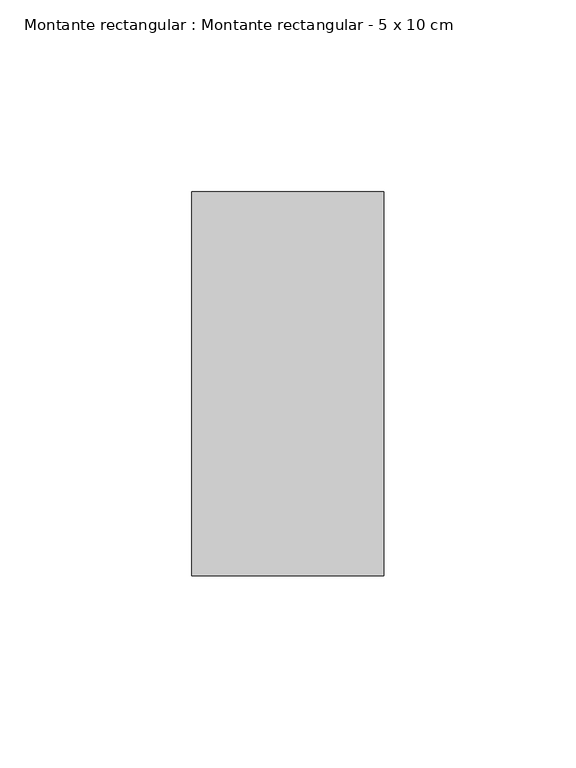
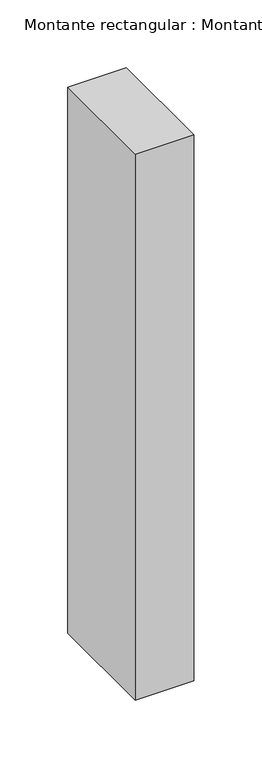
"""IFC4 building model written with IfcOpenShell, lengths in millimetres: member geometry, Montante rectangular : Montante rectangular - 5 x 10 cm."""

import ifcopenshell
import ifcopenshell.guid

model = None  # the IFC model being written
_history = None  # IfcOwnerHistory: only IFC2X3 demands one
_inside = {}  # id of a spatial element -> (the spatial element, [elements in it])
_under = {}  # id of a project, library or spatial element -> (it, [spatial elements below it])
_declared = {}  # id of a project -> (the project, [libraries it declares])
_typed = {}  # id of a type object -> (the type object, [elements of that type])
_made_of = {}  # id of a material, layer set ... -> (it, [elements and type objects made of it])


def new_model(schema):
    """Start an empty IFC model of exactly this schema.

    Asked for "IFC4X3", IfcOpenShell would pick the latest addendum, in which some entities
    have other attributes; the version numbers below select the first issue.
    IFC2X3 requires an IfcOwnerHistory on every rooted entity: one is made here for all.
    """
    global model, _history
    if schema == "IFC4X3":
        model = ifcopenshell.file(schema_version=(4, 3, 0, 0))
    else:
        model = ifcopenshell.file(schema=schema)
    _inside.clear()
    _under.clear()
    _declared.clear()
    _typed.clear()
    _made_of.clear()
    _history = None
    if model.schema == "IFC2X3":
        org = make("IfcOrganization", Name="unknown")
        user = make(
            "IfcPersonAndOrganization",
            ThePerson=make("IfcPerson", FamilyName="unknown"),
            TheOrganization=org,
        )
        app = make(
            "IfcApplication",
            ApplicationDeveloper=org,
            Version="unknown",
            ApplicationFullName="unknown",
            ApplicationIdentifier="unknown",
        )
        _history = make(
            "IfcOwnerHistory",
            OwningUser=user,
            OwningApplication=app,
            ChangeAction="ADDED",
            CreationDate=0,
        )
    return model


def make(cls, **values):
    """One entity of the class cls with the attributes given. An attribute that is None is left unset."""
    return model.create_entity(
        cls, **{name: value for name, value in values.items() if value is not None}
    )


def rooted(cls, **values):
    """An entity with a GlobalId (a new one), such as an element, a storey or a relation."""
    return make(cls, GlobalId=ifcopenshell.guid.new(), OwnerHistory=_history, **values)


def si_unit(unit_type, name, prefix=None):
    """IfcSIUnit, for example si_unit("LENGTHUNIT", "METRE", prefix="MILLI")."""
    return make("IfcSIUnit", UnitType=unit_type, Prefix=prefix, Name=name)


def assignment(units):
    """IfcUnitAssignment: the units of a project."""
    return None if units is None else make("IfcUnitAssignment", Units=units)


def point(xyz):
    """IfcCartesianPoint."""
    return None if xyz is None else make("IfcCartesianPoint", Coordinates=xyz)


def direction(xyz):
    """IfcDirection."""
    return None if xyz is None else make("IfcDirection", DirectionRatios=xyz)


def frame(location, z_axis=None, x_axis=None):
    """IfcAxis2Placement3D, a coordinate frame: its origin and axes. An axis left out is left unset."""
    return make(
        "IfcAxis2Placement3D",
        Location=point(location),
        Axis=direction(z_axis),
        RefDirection=direction(x_axis),
    )


def origin():
    """The frame at (0, 0, 0) with its axes left unset."""
    return frame((0.0, 0.0, 0.0))


def place(relative_to, where):
    """IfcLocalPlacement: puts the frame where relative to a parent placement (None: the world)."""
    return make(
        "IfcLocalPlacement", PlacementRelTo=relative_to, RelativePlacement=where
    )


def context(
    kind, dimensions, precision=None, world=None, true_north=None, identifier=None
):
    """IfcGeometricRepresentationContext, for example the 3D "Model" context."""
    return make(
        "IfcGeometricRepresentationContext",
        ContextIdentifier=identifier,
        ContextType=kind,
        CoordinateSpaceDimension=dimensions,
        Precision=precision,
        WorldCoordinateSystem=world,
        TrueNorth=true_north,
    )


def project(units=None, contexts=None):
    """IfcProject with its units and contexts."""
    return rooted(
        "IfcProject",
        Name="project",
        RepresentationContexts=contexts,
        UnitsInContext=assignment(units),
    )


def spatial(cls, under=None, at=None, **own):
    """A site, building, storey or space (cls), placed at a placement, below another one or the project."""
    s = rooted(cls, ObjectPlacement=at, **own)
    if under is not None:
        _under.setdefault(under.id(), (under, []))[1].append(s)
    return s


def polyline(points):
    """IfcPolyline through the points."""
    return make("IfcPolyline", Points=[point(p) for p in points])


def outline(outer, holes=None, kind="AREA"):
    """IfcArbitraryClosedProfileDef: a profile drawn as a closed curve; with holes, ...WithVoids."""
    if holes is None:
        return make("IfcArbitraryClosedProfileDef", ProfileType=kind, OuterCurve=outer)
    return make(
        "IfcArbitraryProfileDefWithVoids",
        ProfileType=kind,
        OuterCurve=outer,
        InnerCurves=holes,
    )


def extrude(swept, where, along, depth):
    """IfcExtrudedAreaSolid: the profile swept, set in the frame where, extruded along a direction by depth."""
    return make(
        "IfcExtrudedAreaSolid",
        SweptArea=swept,
        Position=where,
        ExtrudedDirection=direction(along),
        Depth=depth,
    )


def shape(context_of_items, identifier, shape_type, items):
    """IfcShapeRepresentation: the items that make up one representation, for example the "Body"."""
    return make(
        "IfcShapeRepresentation",
        ContextOfItems=context_of_items,
        RepresentationIdentifier=identifier,
        RepresentationType=shape_type,
        Items=items,
    )


def source(mapping_origin, context_of_items, identifier, shape_type, items):
    """IfcRepresentationMap: a shape defined once, which mapped items show again and again."""
    return make(
        "IfcRepresentationMap",
        MappingOrigin=mapping_origin,
        MappedRepresentation=shape(context_of_items, identifier, shape_type, items),
    )


def transform(
    local_origin,
    x_axis=None,
    y_axis=None,
    z_axis=None,
    scale=None,
    scale2=None,
    scale3=None,
    uniform=True,
):
    """IfcCartesianTransformationOperator3D, or its non-uniform kind. x_axis, y_axis, z_axis: its Axis1, 2, 3."""
    if uniform:
        return make(
            "IfcCartesianTransformationOperator3D",
            Axis1=direction(x_axis),
            Axis2=direction(y_axis),
            LocalOrigin=point(local_origin),
            Scale=scale,
            Axis3=direction(z_axis),
        )
    return make(
        "IfcCartesianTransformationOperator3DnonUniform",
        Axis1=direction(x_axis),
        Axis2=direction(y_axis),
        LocalOrigin=point(local_origin),
        Scale=scale,
        Axis3=direction(z_axis),
        Scale2=scale2,
        Scale3=scale3,
    )


def mapped(mapping_source, mapping_target):
    """IfcMappedItem: shows the shape of a source again, moved by a transform."""
    return make(
        "IfcMappedItem", MappingSource=mapping_source, MappingTarget=mapping_target
    )


def made_of(thing, what):
    """Note that an element or type object is made of a material, layer set ...; save() writes the relation."""
    if what is not None:
        _made_of.setdefault(what.id(), (what, []))[1].append(thing)
    return thing


def element(
    cls,
    number,
    at=None,
    inside=None,
    cuts=None,
    type_object=None,
    material=None,
    context=None,
    identifier="Body",
    shape_type=None,
    held_by="IfcProductDefinitionShape",
    body=None,
    shapes=None,
    **own,
):
    """One element of the class cls, such as IfcWall. Its Tag is "e" and its number.

    at: its placement. inside: the storey or other place that contains it. cuts: it is an
    opening in that element (IfcRelVoidsElement). A single representation is given by context,
    identifier, shape_type and body (its items); several are given by shapes. held_by: the class
    of the entity that holds the representations. save() writes the other relations.
    """
    e = rooted(cls, Tag="e%d" % number, ObjectPlacement=at, **own)
    if body is not None:
        shapes = [shape(context, identifier, shape_type, body)]
    if shapes is not None:
        e.Representation = make(held_by, Representations=shapes)
    if inside is not None:
        _inside.setdefault(inside.id(), (inside, []))[1].append(e)
    if cuts is not None:
        rooted(
            "IfcRelVoidsElement", RelatingBuildingElement=cuts, RelatedOpeningElement=e
        )
    if type_object is not None:
        _typed.setdefault(type_object.id(), (type_object, []))[1].append(e)
    return made_of(e, material)


def aggregate(whole, parts):
    """IfcRelAggregates: a whole, such as a stair, and the parts it consists of."""
    return rooted("IfcRelAggregates", RelatingObject=whole, RelatedObjects=parts)


def save(model, path):
    """Write the relations noted so far, then the file.

    IfcRelAggregates (storeys below a building ...), IfcRelContainedInSpatialStructure (elements
    in a storey), IfcRelDefinesByType, IfcRelAssociatesMaterial and IfcRelDeclares: one each for
    every whole, place, type object, material and project.
    """
    for whole, parts in _under.values():
        aggregate(whole, parts)
    for where, things in _inside.values():
        rooted(
            "IfcRelContainedInSpatialStructure",
            RelatedElements=things,
            RelatingStructure=where,
        )
    for kind, things in _typed.values():
        rooted("IfcRelDefinesByType", RelatedObjects=things, RelatingType=kind)
    for what, things in _made_of.values():
        rooted("IfcRelAssociatesMaterial", RelatedObjects=things, RelatingMaterial=what)
    for by, libraries in _declared.values():
        rooted("IfcRelDeclares", RelatingContext=by, RelatedDefinitions=libraries)
    model.write(path)


def montante_rectangular_montante_rectangular_5_x_10_cm_9272a081(model_context):
    return source(origin(), model_context, "Body", "SweptSolid", [
        extrude(outline(polyline([(0.0, 50.0), (0.0, -50.0), (-50.0, -50.0), (-50.0, 50.0), (0.0, 50.0)])), frame((0.0, 0.0, -492.6666667), z_axis=(0.0, 0.0, 1.0), x_axis=(1.0, 0.0, 0.0)), (0.0, 0.0, 1.0), 492.6666667),
    ])


if __name__ == "__main__":
    model = new_model("IFC4")
    model_context = context("Model", 3, world=origin())
    ifc_project = project(units=[si_unit("LENGTHUNIT", "METRE", prefix="MILLI")], contexts=[model_context])
    site = spatial("IfcSite", under=ifc_project)
    building = spatial("IfcBuilding", under=site)
    placement = place(None, origin())
    montante_rectangular_montante_rectangular_5_x_10_cm_shape = montante_rectangular_montante_rectangular_5_x_10_cm_9272a081(model_context)
    element("IfcMember", 1, ObjectType="Montante rectangular : Montante rectangular - 5 x 10 cm", at=placement, inside=building, context=model_context, shape_type="MappedRepresentation", body=[
        mapped(montante_rectangular_montante_rectangular_5_x_10_cm_shape, transform((0.0, 0.0, 0.0), x_axis=(1.0, 0.0, 0.0), y_axis=(0.0, 1.0, 0.0), z_axis=(0.0, 0.0, 1.0))),
    ])
    save(model, "model.ifc")
